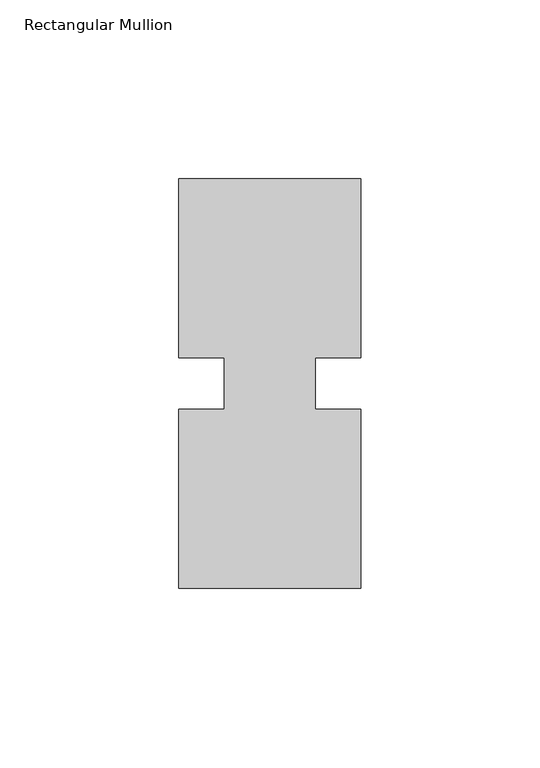
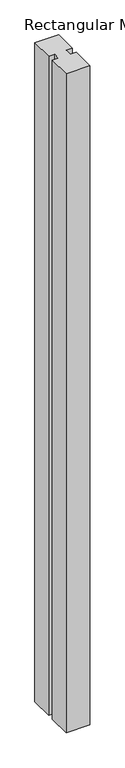
"""IFC4 building model written with IfcOpenShell, lengths in millimetres: member geometry, Rectangular Mullion."""

from ifc_helpers import new_model, si_unit, frame, origin, place, context, project, spatial, polyline, outline, extrude, source, transform, mapped, element, save


def rectangular_mullion_5900eff3(model_context):
    return source(origin(), model_context, "Body", "SweptSolid", [
        extrude(outline(polyline([(29.7344027, 57.15), (29.7344027, 7.14375), (17.0326322, 7.14375), (17.0326322, -7.14375), (29.7344027, -7.14375), (29.7344027, -57.15), (-21.0655973, -57.15), (-21.0655973, -7.14375), (-8.3655973, -7.14375), (-8.3655973, 7.14375), (-21.0655973, 7.14375), (-21.0655973, 57.15), (29.7344027, 57.15)])), frame((0.0, 0.0, -1478.28), z_axis=(0.0, 0.0, 1.0), x_axis=(1.0, 0.0, 0.0)), (0.0, 0.0, 1.0), 1478.28),
    ])


if __name__ == "__main__":
    model = new_model("IFC4")
    model_context = context("Model", 3, world=origin())
    ifc_project = project(units=[si_unit("LENGTHUNIT", "METRE", prefix="MILLI")], contexts=[model_context])
    site = spatial("IfcSite", under=ifc_project)
    building = spatial("IfcBuilding", under=site)
    placement = place(None, origin())
    rectangular_mullion_shape = rectangular_mullion_5900eff3(model_context)
    element("IfcMember", 1, ObjectType="Rectangular Mullion", at=placement, inside=building, context=model_context, shape_type="MappedRepresentation", body=[
        mapped(rectangular_mullion_shape, transform((0.0, 0.0, 0.0), x_axis=(1.0, 0.0, 0.0), y_axis=(0.0, 1.0, 0.0), z_axis=(0.0, 0.0, 1.0))),
    ])
    save(model, "model.ifc")
